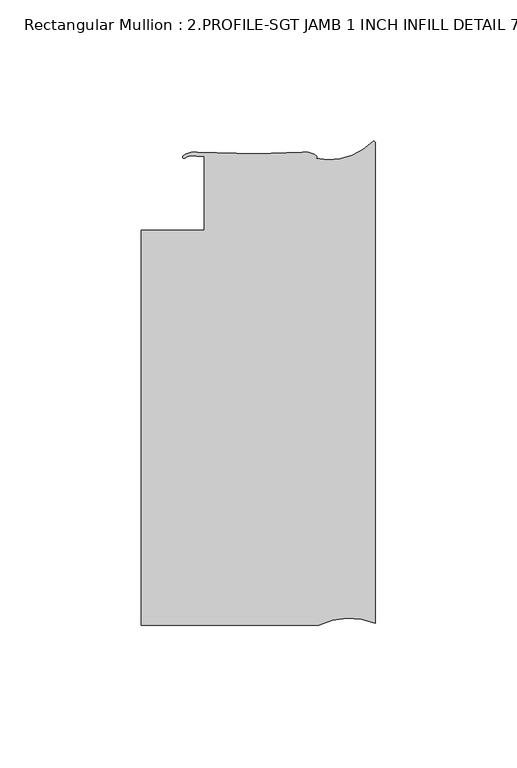
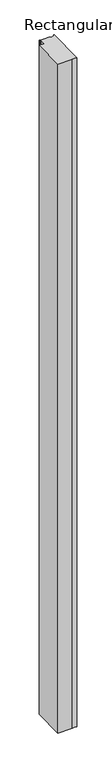
"""IFC4 building model written with IfcOpenShell, lengths in millimetres: member geometry, Rectangular Mullion : 2.PROFILE-SGT JAMB 1 INCH INFILL DETAIL 7."""

from ifc_helpers import new_model, si_unit, point, frame, frame_2d, origin, place, context, project, spatial, polyline, circle_curve, trimmed, segment, composite_curve, outline, extrude, source, transform, mapped, element, save


def rectangular_mullion_2_profile_sgt_jamb_1_inch_infill_detail_a86d2bf6(model_context):
    return source(origin(), model_context, "Body", "SweptSolid", [
        extrude(outline(composite_curve([segment(polyline([(-20.0963261, -85.5936319), (-82.7624924, -85.5936319), (-82.7624924, 54.1063631), (-60.5419882, 54.1063631), (-60.5419882, 80.1402767), (-63.0963214, 80.2129558)]), True, "CONTINUOUS"), segment(trimmed(circle_curve(frame_2d((-64.5495981, 74.4786008)), 5.9156437), [point((-63.0963214, 80.2129558))], [point((-67.5034782, 79.6039722))], True, "CARTESIAN"), True, "CONTINUOUS"), segment(trimmed(circle_curve(frame_2d((-67.7627315, 79.9288435)), 0.4156364), [point((-67.5034782, 79.6039722))], [point((-68.0818732, 80.1951181))], False, "CARTESIAN"), True, "CONTINUOUS"), segment(trimmed(circle_curve(frame_2d((-64.0102162, 75.9136887)), 5.9083862), [point((-68.0818732, 80.1951181))], [point((-62.9891992, 81.7331863))], False, "CARTESIAN"), True, "CONTINUOUS"), segment(polyline([(-62.9891992, 81.7331863), (-42.2708685, 81.1666852), (-25.9390512, 81.6543094)]), True, "CONTINUOUS"), segment(trimmed(circle_curve(frame_2d((-24.8202291, 75.8271687)), 5.9335766), [point((-25.9390512, 81.6543094))], [point((-20.8094174, 80.1998934))], False, "CARTESIAN"), True, "CONTINUOUS"), segment(trimmed(circle_curve(frame_2d((-21.1241586, 79.9284315)), 0.4156364), [point((-20.8094174, 80.1998934))], [point((-21.1155372, 79.5128845))], False, "CARTESIAN"), True, "CONTINUOUS"), segment(trimmed(circle_curve(frame_2d((-16.3790646, 100.7452821)), 21.7542841), [point((-21.1155372, 79.5128845))], [point((-0.9068806, 85.4527872))], True, "CARTESIAN"), True, "CONTINUOUS"), segment(trimmed(circle_curve(frame_2d((-0.635, 84.8789353)), 0.635), [point((-0.9068806, 85.4527872))], [point((0.0, 84.8789353))], False, "CARTESIAN"), True, "CONTINUOUS"), segment(polyline([(0.0, 84.8789353), (0.0, -84.8789353)]), True, "CONTINUOUS"), segment(trimmed(circle_curve(frame_2d((-9.2332881, -108.1494966)), 25.0354275), [point((0.0, -84.8789353))], [point((-20.0963261, -85.5936319))], True, "CARTESIAN"), True, "CONTINUOUS")], self_intersect=False)), frame((0.0, 0.0, -3048.0), z_axis=(0.0, 0.0, 1.0), x_axis=(1.0, 0.0, 0.0)), (0.0, 0.0, 1.0), 3048.0),
    ])


if __name__ == "__main__":
    model = new_model("IFC4")
    model_context = context("Model", 3, world=origin())
    ifc_project = project(units=[si_unit("LENGTHUNIT", "METRE", prefix="MILLI")], contexts=[model_context])
    site = spatial("IfcSite", under=ifc_project)
    building = spatial("IfcBuilding", under=site)
    placement = place(None, origin())
    rectangular_mullion_2_profile_sgt_jamb_1_inch_infill_detail_shape = rectangular_mullion_2_profile_sgt_jamb_1_inch_infill_detail_a86d2bf6(model_context)
    element("IfcMember", 1, ObjectType="Rectangular Mullion : 2.PROFILE-SGT JAMB 1 INCH INFILL DETAIL 7", at=placement, inside=building, context=model_context, shape_type="MappedRepresentation", body=[
        mapped(rectangular_mullion_2_profile_sgt_jamb_1_inch_infill_detail_shape, transform((0.0, 0.0, 0.0), x_axis=(1.0, 0.0, 0.0), y_axis=(0.0, 1.0, 0.0), z_axis=(0.0, 0.0, 1.0))),
    ])
    save(model, "model.ifc")
